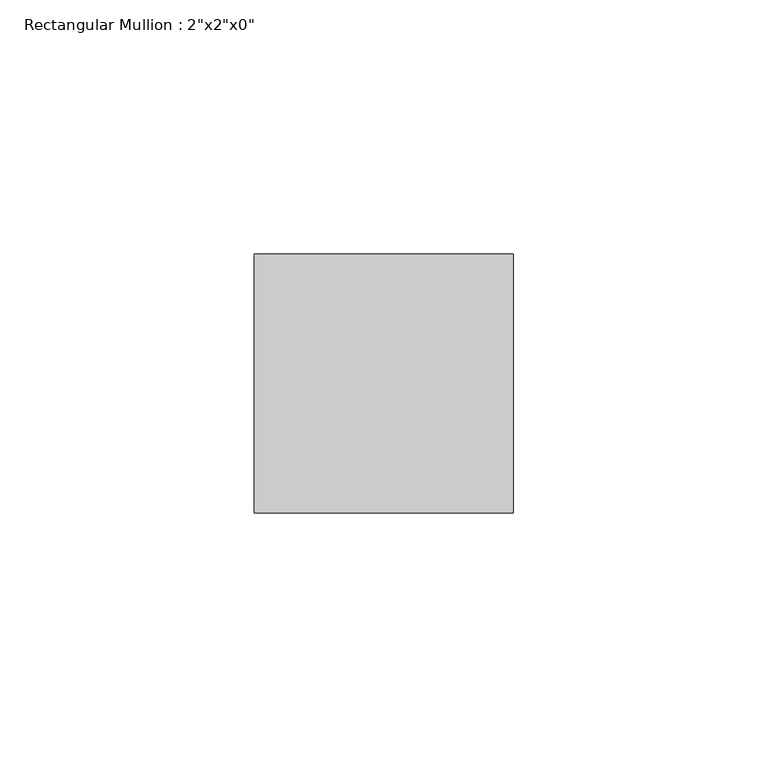
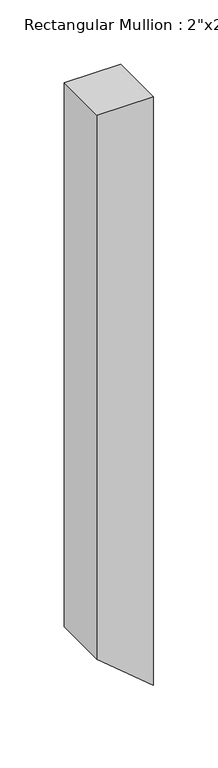
"""IFC4 building model written with IfcOpenShell, lengths in millimetres: member geometry."""

from ifc_helpers import new_model, si_unit, frame, origin, place, context, project, spatial, polyline, outline, extrude, source, transform, mapped, element, save


def member_b3ad87c8(model_context):
    return source(origin(), model_context, "Body", "SweptSolid", [
        extrude(outline(polyline([(0.0, 0.0), (0.0, -50.8), (-516.8556816, -50.8), (-559.1238365, 0.0), (0.0, 0.0)])), frame((0.0, -25.4, 0.0), z_axis=(0.0, 1.0, 0.0), x_axis=(0.0, 0.0, 1.0)), (0.0, 0.0, 1.0), 50.8),
    ])


if __name__ == "__main__":
    model = new_model("IFC4")
    model_context = context("Model", 3, world=origin())
    ifc_project = project(units=[si_unit("LENGTHUNIT", "METRE", prefix="MILLI")], contexts=[model_context])
    site = spatial("IfcSite", under=ifc_project)
    building = spatial("IfcBuilding", under=site)
    placement = place(None, origin())
    member_shape = member_b3ad87c8(model_context)
    element("IfcMember", 1, ObjectType="Rectangular Mullion : 2\"x2\"x0\"", at=placement, inside=building, context=model_context, shape_type="MappedRepresentation", body=[
        mapped(member_shape, transform((0.0, 0.0, 0.0), x_axis=(1.0, 0.0, 0.0), y_axis=(0.0, 1.0, 0.0), z_axis=(0.0, 0.0, 1.0))),
    ])
    save(model, "model.ifc")
